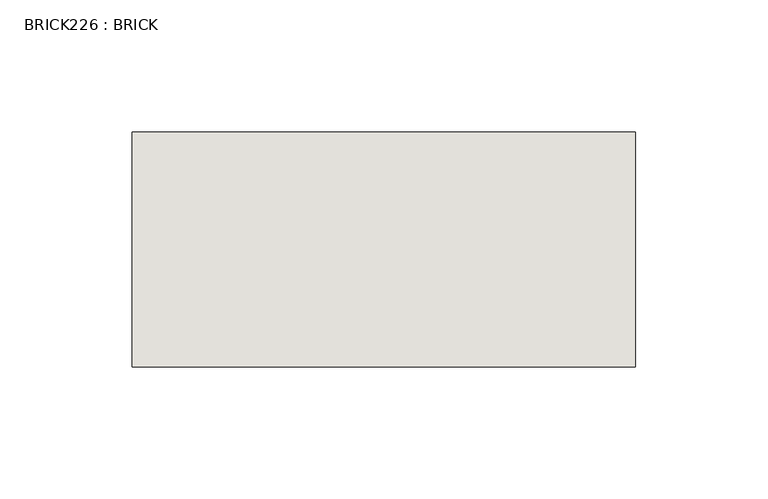
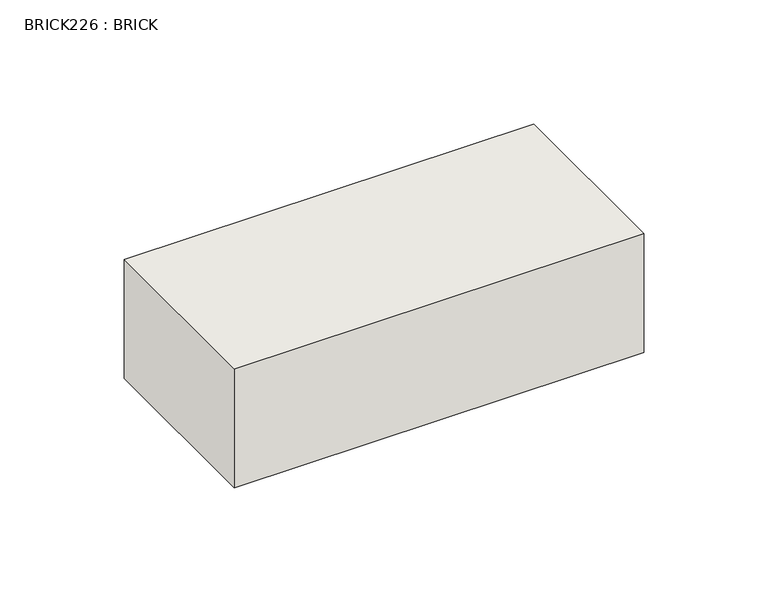
"""IFC4 building model written with IfcOpenShell, lengths in millimetres: wall geometry, BRICK226 : BRICK."""

from ifc_helpers import new_model, si_unit, frame, origin, place, context, project, spatial, polyline, outline, extrude, source, transform, mapped, element, save


def brick226_brick_212433bc(model_context):
    return source(origin(), model_context, "Body", "SweptSolid", [
        extrude(outline(polyline([(-1581.5316239, 3062.3923312), (-1391.0316239, 3062.3923312), (-1391.0316239, 2973.4923312), (-1581.5316239, 2973.4923312), (-1581.5316239, 3062.3923312)])), frame((0.0, 0.0, 74.3148438), z_axis=(0.0, 0.0, 1.0), x_axis=(1.0, 0.0, 0.0)), (0.0, 0.0, 1.0), 58.4398437),
    ])


if __name__ == "__main__":
    model = new_model("IFC4")
    model_context = context("Model", 3, world=origin())
    ifc_project = project(units=[si_unit("LENGTHUNIT", "METRE", prefix="MILLI")], contexts=[model_context])
    site = spatial("IfcSite", under=ifc_project)
    building = spatial("IfcBuilding", under=site)
    placement = place(None, origin())
    brick226_brick_shape = brick226_brick_212433bc(model_context)
    element("IfcWall", 1, ObjectType="BRICK226 : BRICK", at=placement, inside=building, context=model_context, shape_type="MappedRepresentation", body=[
        mapped(brick226_brick_shape, transform((0.0, 0.0, 0.0), x_axis=(1.0, 0.0, 0.0), y_axis=(0.0, 1.0, 0.0), z_axis=(0.0, 0.0, 1.0))),
    ])
    save(model, "model.ifc")
